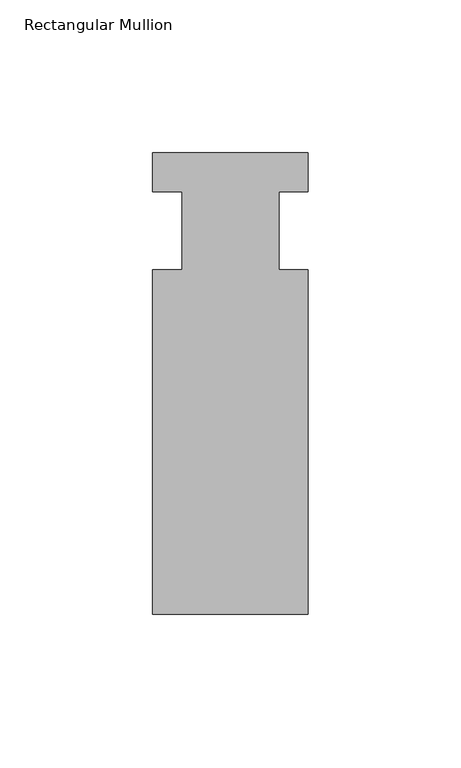
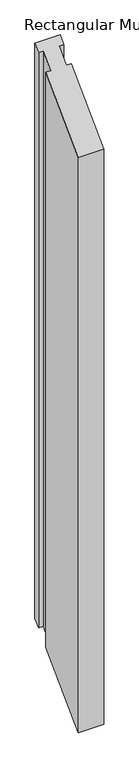
"""IFC4 building model written with IfcOpenShell, lengths in millimetres: member geometry, Rectangular Mullion."""

from ifc_helpers import new_model, si_unit, origin, place, context, project, spatial, faceted_brep, source, transform, mapped, element, save


def rectangular_mullion_70ec839d(model_context):
    return source(origin(), model_context, "Body", "Brep", [
        faceted_brep([(25.4, -25.4, -25.4), (25.4, -138.1125, -138.1125), (25.4, -138.1125, -1357.3125), (25.4, -25.4, -1244.6), (15.875, -25.4, -25.4), (15.875, -25.4, -1244.6), (15.875, 0.0, 0.0), (15.875, 0.0, -1219.2), (25.4, 0.0, 0.0), (25.4, 0.0, -1219.2), (25.4, 12.7, 12.7), (25.4, 12.7, -1206.5), (-25.4, 12.7, 12.7), (-25.4, 12.7, -1206.5), (-25.4, 0.0, 0.0), (-25.4, 0.0, -1219.2), (-15.875, 0.0, 0.0), (-15.875, 0.0, -1219.2), (-15.875, -25.4, -25.4), (-15.875, -25.4, -1244.6), (-25.4, -25.4, -25.4), (-25.4, -25.4, -1244.6), (-25.4, -138.1125, -138.1125), (-25.4, -138.1125, -1357.3125)], [[[0, 1, 2, 3]], [[4, 0, 3, 5]], [[6, 4, 5, 7]], [[8, 6, 7, 9]], [[10, 8, 9, 11]], [[12, 10, 11, 13]], [[14, 12, 13, 15]], [[16, 14, 15, 17]], [[18, 16, 17, 19]], [[20, 18, 19, 21]], [[22, 20, 21, 23]], [[1, 22, 23, 2]], [[1, 0, 4, 6, 8, 10, 12, 14, 16, 18, 20, 22]], [[2, 23, 21, 19, 17, 15, 13, 11, 9, 7, 5, 3]]]),
    ])


if __name__ == "__main__":
    model = new_model("IFC4")
    model_context = context("Model", 3, world=origin())
    ifc_project = project(units=[si_unit("LENGTHUNIT", "METRE", prefix="MILLI")], contexts=[model_context])
    site = spatial("IfcSite", under=ifc_project)
    building = spatial("IfcBuilding", under=site)
    placement = place(None, origin())
    rectangular_mullion_shape = rectangular_mullion_70ec839d(model_context)
    element("IfcMember", 1, ObjectType="Rectangular Mullion", at=placement, inside=building, context=model_context, shape_type="MappedRepresentation", body=[
        mapped(rectangular_mullion_shape, transform((0.0, 0.0, 0.0), x_axis=(1.0, 0.0, 0.0), y_axis=(0.0, 1.0, 0.0), z_axis=(0.0, 0.0, 1.0))),
    ])
    save(model, "model.ifc")
